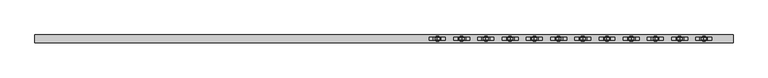
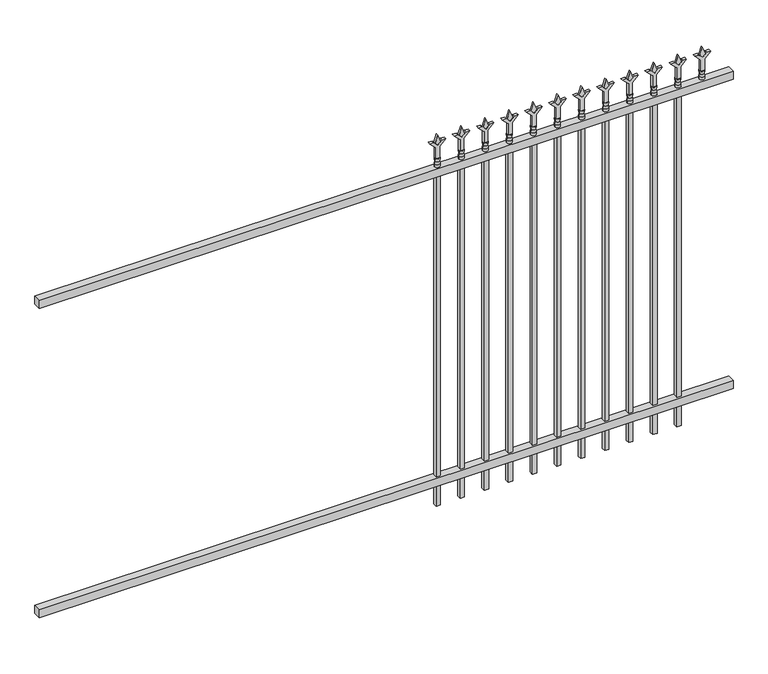
"""IFC4 building model written with IfcOpenShell, lengths in millimetres: railing geometry."""

from ifc_helpers import new_model, si_unit, frame, origin, place, context, project, spatial, polyline, circle_curve, outline, extrude, source, transform, mapped, element, save
from ifc_brep_helpers import plane_surface, cylinder_surface, revolved_surface, advanced_brep


def railing_8250a9f7(model_context):
    return source(origin(), model_context, "Body", "SolidModel", [
        extrude(outline(polyline([(-67441.318087, 5443.2804826), (-67441.318087, 5478.2054826), (-64291.718087, 5478.2054826), (-64291.718087, 5443.2804826), (-67441.318087, 5443.2804826)])), frame((0.0, 0.0, 1638.3), z_axis=(0.0, 0.0, 1.0), x_axis=(1.0, 0.0, 0.0)), (0.0, 0.0, 1.0), 38.1),
        extrude(outline(polyline([(-67441.318087, 5443.2804826), (-67441.318087, 5478.2054826), (-64291.718087, 5478.2054826), (-64291.718087, 5443.2804826), (-67441.318087, 5443.2804826)])), frame((0.0, 0.0, 152.4), z_axis=(0.0, 0.0, 1.0), x_axis=(1.0, 0.0, 0.0)), (0.0, 0.0, 1.0), 38.1),
        extrude(outline(polyline([(1793.08125, -64520.8472536), (1828.8, -64532.7535036), (1793.08125, -64544.6597536), (1781.175, -64532.7535036), (1793.08125, -64520.8472536)])), frame((0.0, 5455.9804826, 0.0), z_axis=(0.0, 1.0, 0.0), x_axis=(0.0, 0.0, 1.0)), (0.0, 0.0, 1.0), 9.525),
        extrude(outline(polyline([(1717.675, -64524.0222536), (1771.9457378, -64524.0222536), (1799.1355122, -64496.8324791), (1799.1355122, -64514.7929914), (1781.175, -64532.7535036), (1799.1355122, -64550.7140159), (1799.1355122, -64568.6745281), (1771.9457378, -64541.4847536), (1717.675, -64541.4847536), (1717.675, -64524.0222536)])), frame((0.0, 5454.3929826, 0.0), z_axis=(0.0, 1.0, 0.0), x_axis=(0.0, 0.0, 1.0)), (0.0, 0.0, 1.0), 12.7),
        advanced_brep(
        [(-64520.8472536, 5460.7429826, 1689.1), (-64544.6597536, 5460.7429826, 1689.1), (-64544.6597536, 5460.7429826, 1676.4), (-64520.8472536, 5460.7429826, 1676.4), (-64523.0525855, 5460.7429826, 1701.6070585), (-64542.4544218, 5460.7429826, 1701.6070585), (-64520.8472536, 5460.7429826, 1717.675), (-64544.6597536, 5460.7429826, 1717.675), (-64532.7535036, 5460.7429826, 1717.675), (-64532.7535036, 5460.7429826, 1676.4)],
        [
            (0, 1, circle_curve(frame((-64532.7535036, 5460.7429826, 1689.1), z_axis=(0.0, 0.0, -1.0), x_axis=(-1.0, 0.0, 0.0)), 11.90625)),
            (1, 2),
            (2, 3, circle_curve(frame((-64532.7535036, 5460.7429826, 1676.4), z_axis=(0.0, 0.0, 1.0), x_axis=(-1.0, 0.0, 0.0)), 11.90625)),
            (3, 0),
            (1, 0, circle_curve(frame((-64532.7535036, 5460.7429826, 1689.1), z_axis=(0.0, 0.0, -1.0), x_axis=(-1.0, 0.0, 0.0)), 11.90625)),
            (3, 2, circle_curve(frame((-64532.7535036, 5460.7429826, 1676.4), z_axis=(0.0, 0.0, 1.0), x_axis=(-1.0, 0.0, 0.0)), 11.90625)),
            (4, 5, circle_curve(frame((-64532.7535036, 5460.7429826, 1701.6070585), z_axis=(0.0, 0.0, -1.0), x_axis=(-1.0, 0.0, 0.0)), 9.7009181)),
            (5, 1),
            (0, 4),
            (5, 4, circle_curve(frame((-64532.7535036, 5460.7429826, 1701.6070585), z_axis=(0.0, 0.0, -1.0), x_axis=(-1.0, 0.0, 0.0)), 9.7009181)),
            (6, 7, circle_curve(frame((-64532.7535036, 5460.7429826, 1717.675), z_axis=(0.0, 0.0, -1.0), x_axis=(-1.0, 0.0, 0.0)), 11.90625)),
            (7, 5),
            (4, 6),
            (7, 6, circle_curve(frame((-64532.7535036, 5460.7429826, 1717.675), z_axis=(0.0, 0.0, -1.0), x_axis=(-1.0, 0.0, 0.0)), 11.90625)),
            (8, 7),
            (6, 8),
            (2, 9),
            (9, 3),
        ],
        [
            cylinder_surface(frame((-64532.7535036, 5460.7429826, 1676.4), z_axis=(0.0, 0.0, 1.0), x_axis=(-1.0, 0.0, 0.0)), 11.90625),
            revolved_surface(polyline([(-64544.6597536, 5460.7429826, 1689.1), (-64542.4544218, 5460.7429826, 1701.6070585)]), (-64532.7535036, 5460.7429826, 1676.4), (0.0, 0.0, 1.0)),
            revolved_surface(polyline([(-64542.4544218, 5460.7429826, 1701.6070585), (-64544.6597536, 5460.7429826, 1717.675)]), (-64532.7535036, 5460.7429826, 1676.4), (0.0, 0.0, 1.0)),
            plane_surface(frame((-64532.7535036, 5460.7429826, 1717.675), z_axis=(0.0, 0.0, 1.0), x_axis=(-1.0, 0.0, 0.0))),
            plane_surface(frame((-64532.7535036, 5460.7429826, 1676.4), z_axis=(0.0, 0.0, -1.0), x_axis=(-1.0, 0.0, 0.0))),
        ],
        [
            (0, [[1, 2, 3, 4]]),
            (0, [[5, -4, 6, -2]]),
            (1, [[7, 8, -1, 9]]),
            (1, [[10, -9, -5, -8]]),
            (2, [[11, 12, -7, 13]]),
            (2, [[14, -13, -10, -12]]),
            (3, [[15, -11, 16]]),
            (3, [[-16, -14, -15]]),
            (4, [[-3, 17, 18]]),
            (4, [[-6, -18, -17]]),
        ],
    ),
        extrude(outline(polyline([(-64542.2785036, 5470.2679826), (-64523.2285036, 5470.2679826), (-64523.2285036, 5451.2179826), (-64542.2785036, 5451.2179826), (-64542.2785036, 5470.2679826)])), frame((0.0, 0.0, 50.8), z_axis=(0.0, 0.0, 1.0), x_axis=(1.0, 0.0, 0.0)), (0.0, 0.0, 1.0), 1625.6),
        extrude(outline(polyline([(1793.08125, -64630.1201703), (1828.8, -64642.0264203), (1793.08125, -64653.9326703), (1781.175, -64642.0264203), (1793.08125, -64630.1201703)])), frame((0.0, 5455.9804826, 0.0), z_axis=(0.0, 1.0, 0.0), x_axis=(0.0, 0.0, 1.0)), (0.0, 0.0, 1.0), 9.525),
        extrude(outline(polyline([(1717.675, -64633.2951703), (1771.9457378, -64633.2951703), (1799.1355122, -64606.1053958), (1799.1355122, -64624.0659081), (1781.175, -64642.0264203), (1799.1355122, -64659.9869325), (1799.1355122, -64677.9474448), (1771.9457378, -64650.7576703), (1717.675, -64650.7576703), (1717.675, -64633.2951703)])), frame((0.0, 5454.3929826, 0.0), z_axis=(0.0, 1.0, 0.0), x_axis=(0.0, 0.0, 1.0)), (0.0, 0.0, 1.0), 12.7),
        advanced_brep(
        [(-64630.1201703, 5460.7429826, 1689.1), (-64653.9326703, 5460.7429826, 1689.1), (-64653.9326703, 5460.7429826, 1676.4), (-64630.1201703, 5460.7429826, 1676.4), (-64632.3255022, 5460.7429826, 1701.6070585), (-64651.7273384, 5460.7429826, 1701.6070585), (-64630.1201703, 5460.7429826, 1717.675), (-64653.9326703, 5460.7429826, 1717.675), (-64642.0264203, 5460.7429826, 1717.675), (-64642.0264203, 5460.7429826, 1676.4)],
        [
            (0, 1, circle_curve(frame((-64642.0264203, 5460.7429826, 1689.1), z_axis=(0.0, 0.0, -1.0), x_axis=(-1.0, 0.0, 0.0)), 11.90625)),
            (1, 2),
            (2, 3, circle_curve(frame((-64642.0264203, 5460.7429826, 1676.4), z_axis=(0.0, 0.0, 1.0), x_axis=(-1.0, 0.0, 0.0)), 11.90625)),
            (3, 0),
            (1, 0, circle_curve(frame((-64642.0264203, 5460.7429826, 1689.1), z_axis=(0.0, 0.0, -1.0), x_axis=(-1.0, 0.0, 0.0)), 11.90625)),
            (3, 2, circle_curve(frame((-64642.0264203, 5460.7429826, 1676.4), z_axis=(0.0, 0.0, 1.0), x_axis=(-1.0, 0.0, 0.0)), 11.90625)),
            (4, 5, circle_curve(frame((-64642.0264203, 5460.7429826, 1701.6070585), z_axis=(0.0, 0.0, -1.0), x_axis=(-1.0, 0.0, 0.0)), 9.7009181)),
            (5, 1),
            (0, 4),
            (5, 4, circle_curve(frame((-64642.0264203, 5460.7429826, 1701.6070585), z_axis=(0.0, 0.0, -1.0), x_axis=(-1.0, 0.0, 0.0)), 9.7009181)),
            (6, 7, circle_curve(frame((-64642.0264203, 5460.7429826, 1717.675), z_axis=(0.0, 0.0, -1.0), x_axis=(-1.0, 0.0, 0.0)), 11.90625)),
            (7, 5),
            (4, 6),
            (7, 6, circle_curve(frame((-64642.0264203, 5460.7429826, 1717.675), z_axis=(0.0, 0.0, -1.0), x_axis=(-1.0, 0.0, 0.0)), 11.90625)),
            (8, 7),
            (6, 8),
            (2, 9),
            (9, 3),
        ],
        [
            cylinder_surface(frame((-64642.0264203, 5460.7429826, 1676.4), z_axis=(0.0, 0.0, 1.0), x_axis=(-1.0, 0.0, 0.0)), 11.90625),
            revolved_surface(polyline([(-64653.9326703, 5460.7429826, 1689.1), (-64651.7273384, 5460.7429826, 1701.6070585)]), (-64642.0264203, 5460.7429826, 1676.4), (0.0, 0.0, 1.0)),
            revolved_surface(polyline([(-64651.7273384, 5460.7429826, 1701.6070585), (-64653.9326703, 5460.7429826, 1717.675)]), (-64642.0264203, 5460.7429826, 1676.4), (0.0, 0.0, 1.0)),
            plane_surface(frame((-64642.0264203, 5460.7429826, 1717.675), z_axis=(0.0, 0.0, 1.0), x_axis=(-1.0, 0.0, 0.0))),
            plane_surface(frame((-64642.0264203, 5460.7429826, 1676.4), z_axis=(0.0, 0.0, -1.0), x_axis=(-1.0, 0.0, 0.0))),
        ],
        [
            (0, [[1, 2, 3, 4]]),
            (0, [[5, -4, 6, -2]]),
            (1, [[7, 8, -1, 9]]),
            (1, [[10, -9, -5, -8]]),
            (2, [[11, 12, -7, 13]]),
            (2, [[14, -13, -10, -12]]),
            (3, [[15, -11, 16]]),
            (3, [[-16, -14, -15]]),
            (4, [[-3, 17, 18]]),
            (4, [[-6, -18, -17]]),
        ],
    ),
        extrude(outline(polyline([(-64651.5514203, 5470.2679826), (-64632.5014203, 5470.2679826), (-64632.5014203, 5451.2179826), (-64651.5514203, 5451.2179826), (-64651.5514203, 5470.2679826)])), frame((0.0, 0.0, 50.8), z_axis=(0.0, 0.0, 1.0), x_axis=(1.0, 0.0, 0.0)), (0.0, 0.0, 1.0), 1625.6),
        extrude(outline(polyline([(1793.08125, -64739.393087), (1828.8, -64751.299337), (1793.08125, -64763.205587), (1781.175, -64751.299337), (1793.08125, -64739.393087)])), frame((0.0, 5455.9804826, 0.0), z_axis=(0.0, 1.0, 0.0), x_axis=(0.0, 0.0, 1.0)), (0.0, 0.0, 1.0), 9.525),
        extrude(outline(polyline([(1717.675, -64742.568087), (1771.9457378, -64742.568087), (1799.1355122, -64715.3783125), (1799.1355122, -64733.3388247), (1781.175, -64751.299337), (1799.1355122, -64769.2598492), (1799.1355122, -64787.2203614), (1771.9457378, -64760.030587), (1717.675, -64760.030587), (1717.675, -64742.568087)])), frame((0.0, 5454.3929826, 0.0), z_axis=(0.0, 1.0, 0.0), x_axis=(0.0, 0.0, 1.0)), (0.0, 0.0, 1.0), 12.7),
        advanced_brep(
        [(-64739.393087, 5460.7429826, 1689.1), (-64763.205587, 5460.7429826, 1689.1), (-64763.205587, 5460.7429826, 1676.4), (-64739.393087, 5460.7429826, 1676.4), (-64741.5984188, 5460.7429826, 1701.6070585), (-64761.0002551, 5460.7429826, 1701.6070585), (-64739.393087, 5460.7429826, 1717.675), (-64763.205587, 5460.7429826, 1717.675), (-64751.299337, 5460.7429826, 1717.675), (-64751.299337, 5460.7429826, 1676.4)],
        [
            (0, 1, circle_curve(frame((-64751.299337, 5460.7429826, 1689.1), z_axis=(0.0, 0.0, -1.0), x_axis=(-1.0, 0.0, 0.0)), 11.90625)),
            (1, 2),
            (2, 3, circle_curve(frame((-64751.299337, 5460.7429826, 1676.4), z_axis=(0.0, 0.0, 1.0), x_axis=(-1.0, 0.0, 0.0)), 11.90625)),
            (3, 0),
            (1, 0, circle_curve(frame((-64751.299337, 5460.7429826, 1689.1), z_axis=(0.0, 0.0, -1.0), x_axis=(-1.0, 0.0, 0.0)), 11.90625)),
            (3, 2, circle_curve(frame((-64751.299337, 5460.7429826, 1676.4), z_axis=(0.0, 0.0, 1.0), x_axis=(-1.0, 0.0, 0.0)), 11.90625)),
            (4, 5, circle_curve(frame((-64751.299337, 5460.7429826, 1701.6070585), z_axis=(0.0, 0.0, -1.0), x_axis=(-1.0, 0.0, 0.0)), 9.7009181)),
            (5, 1),
            (0, 4),
            (5, 4, circle_curve(frame((-64751.299337, 5460.7429826, 1701.6070585), z_axis=(0.0, 0.0, -1.0), x_axis=(-1.0, 0.0, 0.0)), 9.7009181)),
            (6, 7, circle_curve(frame((-64751.299337, 5460.7429826, 1717.675), z_axis=(0.0, 0.0, -1.0), x_axis=(-1.0, 0.0, 0.0)), 11.90625)),
            (7, 5),
            (4, 6),
            (7, 6, circle_curve(frame((-64751.299337, 5460.7429826, 1717.675), z_axis=(0.0, 0.0, -1.0), x_axis=(-1.0, 0.0, 0.0)), 11.90625)),
            (8, 7),
            (6, 8),
            (2, 9),
            (9, 3),
        ],
        [
            cylinder_surface(frame((-64751.299337, 5460.7429826, 1676.4), z_axis=(0.0, 0.0, 1.0), x_axis=(-1.0, 0.0, 0.0)), 11.90625),
            revolved_surface(polyline([(-64763.205587, 5460.7429826, 1689.1), (-64761.0002551, 5460.7429826, 1701.6070585)]), (-64751.299337, 5460.7429826, 1676.4), (0.0, 0.0, 1.0)),
            revolved_surface(polyline([(-64761.0002551, 5460.7429826, 1701.6070585), (-64763.205587, 5460.7429826, 1717.675)]), (-64751.299337, 5460.7429826, 1676.4), (0.0, 0.0, 1.0)),
            plane_surface(frame((-64751.299337, 5460.7429826, 1717.675), z_axis=(0.0, 0.0, 1.0), x_axis=(-1.0, 0.0, 0.0))),
            plane_surface(frame((-64751.299337, 5460.7429826, 1676.4), z_axis=(0.0, 0.0, -1.0), x_axis=(-1.0, 0.0, 0.0))),
        ],
        [
            (0, [[1, 2, 3, 4]]),
            (0, [[5, -4, 6, -2]]),
            (1, [[7, 8, -1, 9]]),
            (1, [[10, -9, -5, -8]]),
            (2, [[11, 12, -7, 13]]),
            (2, [[14, -13, -10, -12]]),
            (3, [[15, -11, 16]]),
            (3, [[-16, -14, -15]]),
            (4, [[-3, 17, 18]]),
            (4, [[-6, -18, -17]]),
        ],
    ),
        extrude(outline(polyline([(-64760.824337, 5470.2679826), (-64741.774337, 5470.2679826), (-64741.774337, 5451.2179826), (-64760.824337, 5451.2179826), (-64760.824337, 5470.2679826)])), frame((0.0, 0.0, 50.8), z_axis=(0.0, 0.0, 1.0), x_axis=(1.0, 0.0, 0.0)), (0.0, 0.0, 1.0), 1625.6),
        extrude(outline(polyline([(1793.08125, -64848.6660036), (1828.8, -64860.5722536), (1793.08125, -64872.4785036), (1781.175, -64860.5722536), (1793.08125, -64848.6660036)])), frame((0.0, 5455.9804826, 0.0), z_axis=(0.0, 1.0, 0.0), x_axis=(0.0, 0.0, 1.0)), (0.0, 0.0, 1.0), 9.525),
        extrude(outline(polyline([(1717.675, -64851.8410036), (1771.9457378, -64851.8410036), (1799.1355122, -64824.6512291), (1799.1355122, -64842.6117414), (1781.175, -64860.5722536), (1799.1355122, -64878.5327659), (1799.1355122, -64896.4932781), (1771.9457378, -64869.3035036), (1717.675, -64869.3035036), (1717.675, -64851.8410036)])), frame((0.0, 5454.3929826, 0.0), z_axis=(0.0, 1.0, 0.0), x_axis=(0.0, 0.0, 1.0)), (0.0, 0.0, 1.0), 12.7),
        advanced_brep(
        [(-64848.6660036, 5460.7429826, 1689.1), (-64872.4785036, 5460.7429826, 1689.1), (-64872.4785036, 5460.7429826, 1676.4), (-64848.6660036, 5460.7429826, 1676.4), (-64850.8713355, 5460.7429826, 1701.6070585), (-64870.2731718, 5460.7429826, 1701.6070585), (-64848.6660036, 5460.7429826, 1717.675), (-64872.4785036, 5460.7429826, 1717.675), (-64860.5722536, 5460.7429826, 1717.675), (-64860.5722536, 5460.7429826, 1676.4)],
        [
            (0, 1, circle_curve(frame((-64860.5722536, 5460.7429826, 1689.1), z_axis=(0.0, 0.0, -1.0), x_axis=(-1.0, 0.0, 0.0)), 11.90625)),
            (1, 2),
            (2, 3, circle_curve(frame((-64860.5722536, 5460.7429826, 1676.4), z_axis=(0.0, 0.0, 1.0), x_axis=(-1.0, 0.0, 0.0)), 11.90625)),
            (3, 0),
            (1, 0, circle_curve(frame((-64860.5722536, 5460.7429826, 1689.1), z_axis=(0.0, 0.0, -1.0), x_axis=(-1.0, 0.0, 0.0)), 11.90625)),
            (3, 2, circle_curve(frame((-64860.5722536, 5460.7429826, 1676.4), z_axis=(0.0, 0.0, 1.0), x_axis=(-1.0, 0.0, 0.0)), 11.90625)),
            (4, 5, circle_curve(frame((-64860.5722536, 5460.7429826, 1701.6070585), z_axis=(0.0, 0.0, -1.0), x_axis=(-1.0, 0.0, 0.0)), 9.7009181)),
            (5, 1),
            (0, 4),
            (5, 4, circle_curve(frame((-64860.5722536, 5460.7429826, 1701.6070585), z_axis=(0.0, 0.0, -1.0), x_axis=(-1.0, 0.0, 0.0)), 9.7009181)),
            (6, 7, circle_curve(frame((-64860.5722536, 5460.7429826, 1717.675), z_axis=(0.0, 0.0, -1.0), x_axis=(-1.0, 0.0, 0.0)), 11.90625)),
            (7, 5),
            (4, 6),
            (7, 6, circle_curve(frame((-64860.5722536, 5460.7429826, 1717.675), z_axis=(0.0, 0.0, -1.0), x_axis=(-1.0, 0.0, 0.0)), 11.90625)),
            (8, 7),
            (6, 8),
            (2, 9),
            (9, 3),
        ],
        [
            cylinder_surface(frame((-64860.5722536, 5460.7429826, 1676.4), z_axis=(0.0, 0.0, 1.0), x_axis=(-1.0, 0.0, 0.0)), 11.90625),
            revolved_surface(polyline([(-64872.4785036, 5460.7429826, 1689.1), (-64870.2731718, 5460.7429826, 1701.6070585)]), (-64860.5722536, 5460.7429826, 1676.4), (0.0, 0.0, 1.0)),
            revolved_surface(polyline([(-64870.2731718, 5460.7429826, 1701.6070585), (-64872.4785036, 5460.7429826, 1717.675)]), (-64860.5722536, 5460.7429826, 1676.4), (0.0, 0.0, 1.0)),
            plane_surface(frame((-64860.5722536, 5460.7429826, 1717.675), z_axis=(0.0, 0.0, 1.0), x_axis=(-1.0, 0.0, 0.0))),
            plane_surface(frame((-64860.5722536, 5460.7429826, 1676.4), z_axis=(0.0, 0.0, -1.0), x_axis=(-1.0, 0.0, 0.0))),
        ],
        [
            (0, [[1, 2, 3, 4]]),
            (0, [[5, -4, 6, -2]]),
            (1, [[7, 8, -1, 9]]),
            (1, [[10, -9, -5, -8]]),
            (2, [[11, 12, -7, 13]]),
            (2, [[14, -13, -10, -12]]),
            (3, [[15, -11, 16]]),
            (3, [[-16, -14, -15]]),
            (4, [[-3, 17, 18]]),
            (4, [[-6, -18, -17]]),
        ],
    ),
        extrude(outline(polyline([(-64870.0972536, 5470.2679826), (-64851.0472536, 5470.2679826), (-64851.0472536, 5451.2179826), (-64870.0972536, 5451.2179826), (-64870.0972536, 5470.2679826)])), frame((0.0, 0.0, 50.8), z_axis=(0.0, 0.0, 1.0), x_axis=(1.0, 0.0, 0.0)), (0.0, 0.0, 1.0), 1625.6),
        extrude(outline(polyline([(1793.08125, -64957.9389203), (1828.8, -64969.8451703), (1793.08125, -64981.7514203), (1781.175, -64969.8451703), (1793.08125, -64957.9389203)])), frame((0.0, 5455.9804826, 0.0), z_axis=(0.0, 1.0, 0.0), x_axis=(0.0, 0.0, 1.0)), (0.0, 0.0, 1.0), 9.525),
        extrude(outline(polyline([(1717.675, -64961.1139203), (1771.9457378, -64961.1139203), (1799.1355122, -64933.9241458), (1799.1355122, -64951.8846581), (1781.175, -64969.8451703), (1799.1355122, -64987.8056825), (1799.1355122, -65005.7661948), (1771.9457378, -64978.5764203), (1717.675, -64978.5764203), (1717.675, -64961.1139203)])), frame((0.0, 5454.3929826, 0.0), z_axis=(0.0, 1.0, 0.0), x_axis=(0.0, 0.0, 1.0)), (0.0, 0.0, 1.0), 12.7),
        advanced_brep(
        [(-64957.9389203, 5460.7429826, 1689.1), (-64981.7514203, 5460.7429826, 1689.1), (-64981.7514203, 5460.7429826, 1676.4), (-64957.9389203, 5460.7429826, 1676.4), (-64960.1442522, 5460.7429826, 1701.6070585), (-64979.5460884, 5460.7429826, 1701.6070585), (-64957.9389203, 5460.7429826, 1717.675), (-64981.7514203, 5460.7429826, 1717.675), (-64969.8451703, 5460.7429826, 1717.675), (-64969.8451703, 5460.7429826, 1676.4)],
        [
            (0, 1, circle_curve(frame((-64969.8451703, 5460.7429826, 1689.1), z_axis=(0.0, 0.0, -1.0), x_axis=(-1.0, 0.0, 0.0)), 11.90625)),
            (1, 2),
            (2, 3, circle_curve(frame((-64969.8451703, 5460.7429826, 1676.4), z_axis=(0.0, 0.0, 1.0), x_axis=(-1.0, 0.0, 0.0)), 11.90625)),
            (3, 0),
            (1, 0, circle_curve(frame((-64969.8451703, 5460.7429826, 1689.1), z_axis=(0.0, 0.0, -1.0), x_axis=(-1.0, 0.0, 0.0)), 11.90625)),
            (3, 2, circle_curve(frame((-64969.8451703, 5460.7429826, 1676.4), z_axis=(0.0, 0.0, 1.0), x_axis=(-1.0, 0.0, 0.0)), 11.90625)),
            (4, 5, circle_curve(frame((-64969.8451703, 5460.7429826, 1701.6070585), z_axis=(0.0, 0.0, -1.0), x_axis=(-1.0, 0.0, 0.0)), 9.7009181)),
            (5, 1),
            (0, 4),
            (5, 4, circle_curve(frame((-64969.8451703, 5460.7429826, 1701.6070585), z_axis=(0.0, 0.0, -1.0), x_axis=(-1.0, 0.0, 0.0)), 9.7009181)),
            (6, 7, circle_curve(frame((-64969.8451703, 5460.7429826, 1717.675), z_axis=(0.0, 0.0, -1.0), x_axis=(-1.0, 0.0, 0.0)), 11.90625)),
            (7, 5),
            (4, 6),
            (7, 6, circle_curve(frame((-64969.8451703, 5460.7429826, 1717.675), z_axis=(0.0, 0.0, -1.0), x_axis=(-1.0, 0.0, 0.0)), 11.90625)),
            (8, 7),
            (6, 8),
            (2, 9),
            (9, 3),
        ],
        [
            cylinder_surface(frame((-64969.8451703, 5460.7429826, 1676.4), z_axis=(0.0, 0.0, 1.0), x_axis=(-1.0, 0.0, 0.0)), 11.90625),
            revolved_surface(polyline([(-64981.7514203, 5460.7429826, 1689.1), (-64979.5460884, 5460.7429826, 1701.6070585)]), (-64969.8451703, 5460.7429826, 1676.4), (0.0, 0.0, 1.0)),
            revolved_surface(polyline([(-64979.5460884, 5460.7429826, 1701.6070585), (-64981.7514203, 5460.7429826, 1717.675)]), (-64969.8451703, 5460.7429826, 1676.4), (0.0, 0.0, 1.0)),
            plane_surface(frame((-64969.8451703, 5460.7429826, 1717.675), z_axis=(0.0, 0.0, 1.0), x_axis=(-1.0, 0.0, 0.0))),
            plane_surface(frame((-64969.8451703, 5460.7429826, 1676.4), z_axis=(0.0, 0.0, -1.0), x_axis=(-1.0, 0.0, 0.0))),
        ],
        [
            (0, [[1, 2, 3, 4]]),
            (0, [[5, -4, 6, -2]]),
            (1, [[7, 8, -1, 9]]),
            (1, [[10, -9, -5, -8]]),
            (2, [[11, 12, -7, 13]]),
            (2, [[14, -13, -10, -12]]),
            (3, [[15, -11, 16]]),
            (3, [[-16, -14, -15]]),
            (4, [[-3, 17, 18]]),
            (4, [[-6, -18, -17]]),
        ],
    ),
        extrude(outline(polyline([(-64979.3701703, 5470.2679826), (-64960.3201703, 5470.2679826), (-64960.3201703, 5451.2179826), (-64979.3701703, 5451.2179826), (-64979.3701703, 5470.2679826)])), frame((0.0, 0.0, 50.8), z_axis=(0.0, 0.0, 1.0), x_axis=(1.0, 0.0, 0.0)), (0.0, 0.0, 1.0), 1625.6),
        extrude(outline(polyline([(1793.08125, -65067.211837), (1828.8, -65079.118087), (1793.08125, -65091.024337), (1781.175, -65079.118087), (1793.08125, -65067.211837)])), frame((0.0, 5455.9804826, 0.0), z_axis=(0.0, 1.0, 0.0), x_axis=(0.0, 0.0, 1.0)), (0.0, 0.0, 1.0), 9.525),
        extrude(outline(polyline([(1717.675, -65070.386837), (1771.9457378, -65070.386837), (1799.1355122, -65043.1970625), (1799.1355122, -65061.1575747), (1781.175, -65079.118087), (1799.1355122, -65097.0785992), (1799.1355122, -65115.0391114), (1771.9457378, -65087.849337), (1717.675, -65087.849337), (1717.675, -65070.386837)])), frame((0.0, 5454.3929826, 0.0), z_axis=(0.0, 1.0, 0.0), x_axis=(0.0, 0.0, 1.0)), (0.0, 0.0, 1.0), 12.7),
        advanced_brep(
        [(-65067.211837, 5460.7429826, 1689.1), (-65091.024337, 5460.7429826, 1689.1), (-65091.024337, 5460.7429826, 1676.4), (-65067.211837, 5460.7429826, 1676.4), (-65069.4171688, 5460.7429826, 1701.6070585), (-65088.8190051, 5460.7429826, 1701.6070585), (-65067.211837, 5460.7429826, 1717.675), (-65091.024337, 5460.7429826, 1717.675), (-65079.118087, 5460.7429826, 1717.675), (-65079.118087, 5460.7429826, 1676.4)],
        [
            (0, 1, circle_curve(frame((-65079.118087, 5460.7429826, 1689.1), z_axis=(0.0, 0.0, -1.0), x_axis=(-1.0, 0.0, 0.0)), 11.90625)),
            (1, 2),
            (2, 3, circle_curve(frame((-65079.118087, 5460.7429826, 1676.4), z_axis=(0.0, 0.0, 1.0), x_axis=(-1.0, 0.0, 0.0)), 11.90625)),
            (3, 0),
            (1, 0, circle_curve(frame((-65079.118087, 5460.7429826, 1689.1), z_axis=(0.0, 0.0, -1.0), x_axis=(-1.0, 0.0, 0.0)), 11.90625)),
            (3, 2, circle_curve(frame((-65079.118087, 5460.7429826, 1676.4), z_axis=(0.0, 0.0, 1.0), x_axis=(-1.0, 0.0, 0.0)), 11.90625)),
            (4, 5, circle_curve(frame((-65079.118087, 5460.7429826, 1701.6070585), z_axis=(0.0, 0.0, -1.0), x_axis=(-1.0, 0.0, 0.0)), 9.7009181)),
            (5, 1),
            (0, 4),
            (5, 4, circle_curve(frame((-65079.118087, 5460.7429826, 1701.6070585), z_axis=(0.0, 0.0, -1.0), x_axis=(-1.0, 0.0, 0.0)), 9.7009181)),
            (6, 7, circle_curve(frame((-65079.118087, 5460.7429826, 1717.675), z_axis=(0.0, 0.0, -1.0), x_axis=(-1.0, 0.0, 0.0)), 11.90625)),
            (7, 5),
            (4, 6),
            (7, 6, circle_curve(frame((-65079.118087, 5460.7429826, 1717.675), z_axis=(0.0, 0.0, -1.0), x_axis=(-1.0, 0.0, 0.0)), 11.90625)),
            (8, 7),
            (6, 8),
            (2, 9),
            (9, 3),
        ],
        [
            cylinder_surface(frame((-65079.118087, 5460.7429826, 1676.4), z_axis=(0.0, 0.0, 1.0), x_axis=(-1.0, 0.0, 0.0)), 11.90625),
            revolved_surface(polyline([(-65091.024337, 5460.7429826, 1689.1), (-65088.8190051, 5460.7429826, 1701.6070585)]), (-65079.118087, 5460.7429826, 1676.4), (0.0, 0.0, 1.0)),
            revolved_surface(polyline([(-65088.8190051, 5460.7429826, 1701.6070585), (-65091.024337, 5460.7429826, 1717.675)]), (-65079.118087, 5460.7429826, 1676.4), (0.0, 0.0, 1.0)),
            plane_surface(frame((-65079.118087, 5460.7429826, 1717.675), z_axis=(0.0, 0.0, 1.0), x_axis=(-1.0, 0.0, 0.0))),
            plane_surface(frame((-65079.118087, 5460.7429826, 1676.4), z_axis=(0.0, 0.0, -1.0), x_axis=(-1.0, 0.0, 0.0))),
        ],
        [
            (0, [[1, 2, 3, 4]]),
            (0, [[5, -4, 6, -2]]),
            (1, [[7, 8, -1, 9]]),
            (1, [[10, -9, -5, -8]]),
            (2, [[11, 12, -7, 13]]),
            (2, [[14, -13, -10, -12]]),
            (3, [[15, -11, 16]]),
            (3, [[-16, -14, -15]]),
            (4, [[-3, 17, 18]]),
            (4, [[-6, -18, -17]]),
        ],
    ),
        extrude(outline(polyline([(-65088.643087, 5470.2679826), (-65069.593087, 5470.2679826), (-65069.593087, 5451.2179826), (-65088.643087, 5451.2179826), (-65088.643087, 5470.2679826)])), frame((0.0, 0.0, 50.8), z_axis=(0.0, 0.0, 1.0), x_axis=(1.0, 0.0, 0.0)), (0.0, 0.0, 1.0), 1625.6),
        extrude(outline(polyline([(1793.08125, -65176.4847536), (1828.8, -65188.3910036), (1793.08125, -65200.2972536), (1781.175, -65188.3910036), (1793.08125, -65176.4847536)])), frame((0.0, 5455.9804826, 0.0), z_axis=(0.0, 1.0, 0.0), x_axis=(0.0, 0.0, 1.0)), (0.0, 0.0, 1.0), 9.525),
        extrude(outline(polyline([(1717.675, -65179.6597536), (1771.9457378, -65179.6597536), (1799.1355122, -65152.4699791), (1799.1355122, -65170.4304914), (1781.175, -65188.3910036), (1799.1355122, -65206.3515159), (1799.1355122, -65224.3120281), (1771.9457378, -65197.1222536), (1717.675, -65197.1222536), (1717.675, -65179.6597536)])), frame((0.0, 5454.3929826, 0.0), z_axis=(0.0, 1.0, 0.0), x_axis=(0.0, 0.0, 1.0)), (0.0, 0.0, 1.0), 12.7),
        advanced_brep(
        [(-65176.4847536, 5460.7429826, 1689.1), (-65200.2972536, 5460.7429826, 1689.1), (-65200.2972536, 5460.7429826, 1676.4), (-65176.4847536, 5460.7429826, 1676.4), (-65178.6900855, 5460.7429826, 1701.6070585), (-65198.0919218, 5460.7429826, 1701.6070585), (-65176.4847536, 5460.7429826, 1717.675), (-65200.2972536, 5460.7429826, 1717.675), (-65188.3910036, 5460.7429826, 1717.675), (-65188.3910036, 5460.7429826, 1676.4)],
        [
            (0, 1, circle_curve(frame((-65188.3910036, 5460.7429826, 1689.1), z_axis=(0.0, 0.0, -1.0), x_axis=(-1.0, 0.0, 0.0)), 11.90625)),
            (1, 2),
            (2, 3, circle_curve(frame((-65188.3910036, 5460.7429826, 1676.4), z_axis=(0.0, 0.0, 1.0), x_axis=(-1.0, 0.0, 0.0)), 11.90625)),
            (3, 0),
            (1, 0, circle_curve(frame((-65188.3910036, 5460.7429826, 1689.1), z_axis=(0.0, 0.0, -1.0), x_axis=(-1.0, 0.0, 0.0)), 11.90625)),
            (3, 2, circle_curve(frame((-65188.3910036, 5460.7429826, 1676.4), z_axis=(0.0, 0.0, 1.0), x_axis=(-1.0, 0.0, 0.0)), 11.90625)),
            (4, 5, circle_curve(frame((-65188.3910036, 5460.7429826, 1701.6070585), z_axis=(0.0, 0.0, -1.0), x_axis=(-1.0, 0.0, 0.0)), 9.7009181)),
            (5, 1),
            (0, 4),
            (5, 4, circle_curve(frame((-65188.3910036, 5460.7429826, 1701.6070585), z_axis=(0.0, 0.0, -1.0), x_axis=(-1.0, 0.0, 0.0)), 9.7009181)),
            (6, 7, circle_curve(frame((-65188.3910036, 5460.7429826, 1717.675), z_axis=(0.0, 0.0, -1.0), x_axis=(-1.0, 0.0, 0.0)), 11.90625)),
            (7, 5),
            (4, 6),
            (7, 6, circle_curve(frame((-65188.3910036, 5460.7429826, 1717.675), z_axis=(0.0, 0.0, -1.0), x_axis=(-1.0, 0.0, 0.0)), 11.90625)),
            (8, 7),
            (6, 8),
            (2, 9),
            (9, 3),
        ],
        [
            cylinder_surface(frame((-65188.3910036, 5460.7429826, 1676.4), z_axis=(0.0, 0.0, 1.0), x_axis=(-1.0, 0.0, 0.0)), 11.90625),
            revolved_surface(polyline([(-65200.2972536, 5460.7429826, 1689.1), (-65198.0919218, 5460.7429826, 1701.6070585)]), (-65188.3910036, 5460.7429826, 1676.4), (0.0, 0.0, 1.0)),
            revolved_surface(polyline([(-65198.0919218, 5460.7429826, 1701.6070585), (-65200.2972536, 5460.7429826, 1717.675)]), (-65188.3910036, 5460.7429826, 1676.4), (0.0, 0.0, 1.0)),
            plane_surface(frame((-65188.3910036, 5460.7429826, 1717.675), z_axis=(0.0, 0.0, 1.0), x_axis=(-1.0, 0.0, 0.0))),
            plane_surface(frame((-65188.3910036, 5460.7429826, 1676.4), z_axis=(0.0, 0.0, -1.0), x_axis=(-1.0, 0.0, 0.0))),
        ],
        [
            (0, [[1, 2, 3, 4]]),
            (0, [[5, -4, 6, -2]]),
            (1, [[7, 8, -1, 9]]),
            (1, [[10, -9, -5, -8]]),
            (2, [[11, 12, -7, 13]]),
            (2, [[14, -13, -10, -12]]),
            (3, [[15, -11, 16]]),
            (3, [[-16, -14, -15]]),
            (4, [[-3, 17, 18]]),
            (4, [[-6, -18, -17]]),
        ],
    ),
        extrude(outline(polyline([(-65197.9160036, 5470.2679826), (-65178.8660036, 5470.2679826), (-65178.8660036, 5451.2179826), (-65197.9160036, 5451.2179826), (-65197.9160036, 5470.2679826)])), frame((0.0, 0.0, 50.8), z_axis=(0.0, 0.0, 1.0), x_axis=(1.0, 0.0, 0.0)), (0.0, 0.0, 1.0), 1625.6),
        extrude(outline(polyline([(1793.08125, -65285.7576703), (1828.8, -65297.6639203), (1793.08125, -65309.5701703), (1781.175, -65297.6639203), (1793.08125, -65285.7576703)])), frame((0.0, 5455.9804826, 0.0), z_axis=(0.0, 1.0, 0.0), x_axis=(0.0, 0.0, 1.0)), (0.0, 0.0, 1.0), 9.525),
        extrude(outline(polyline([(1717.675, -65288.9326703), (1771.9457378, -65288.9326703), (1799.1355122, -65261.7428958), (1799.1355122, -65279.7034081), (1781.175, -65297.6639203), (1799.1355122, -65315.6244325), (1799.1355122, -65333.5849448), (1771.9457378, -65306.3951703), (1717.675, -65306.3951703), (1717.675, -65288.9326703)])), frame((0.0, 5454.3929826, 0.0), z_axis=(0.0, 1.0, 0.0), x_axis=(0.0, 0.0, 1.0)), (0.0, 0.0, 1.0), 12.7),
        advanced_brep(
        [(-65285.7576703, 5460.7429826, 1689.1), (-65309.5701703, 5460.7429826, 1689.1), (-65309.5701703, 5460.7429826, 1676.4), (-65285.7576703, 5460.7429826, 1676.4), (-65287.9630022, 5460.7429826, 1701.6070585), (-65307.3648384, 5460.7429826, 1701.6070585), (-65285.7576703, 5460.7429826, 1717.675), (-65309.5701703, 5460.7429826, 1717.675), (-65297.6639203, 5460.7429826, 1717.675), (-65297.6639203, 5460.7429826, 1676.4)],
        [
            (0, 1, circle_curve(frame((-65297.6639203, 5460.7429826, 1689.1), z_axis=(0.0, 0.0, -1.0), x_axis=(-1.0, 0.0, 0.0)), 11.90625)),
            (1, 2),
            (2, 3, circle_curve(frame((-65297.6639203, 5460.7429826, 1676.4), z_axis=(0.0, 0.0, 1.0), x_axis=(-1.0, 0.0, 0.0)), 11.90625)),
            (3, 0),
            (1, 0, circle_curve(frame((-65297.6639203, 5460.7429826, 1689.1), z_axis=(0.0, 0.0, -1.0), x_axis=(-1.0, 0.0, 0.0)), 11.90625)),
            (3, 2, circle_curve(frame((-65297.6639203, 5460.7429826, 1676.4), z_axis=(0.0, 0.0, 1.0), x_axis=(-1.0, 0.0, 0.0)), 11.90625)),
            (4, 5, circle_curve(frame((-65297.6639203, 5460.7429826, 1701.6070585), z_axis=(0.0, 0.0, -1.0), x_axis=(-1.0, 0.0, 0.0)), 9.7009181)),
            (5, 1),
            (0, 4),
            (5, 4, circle_curve(frame((-65297.6639203, 5460.7429826, 1701.6070585), z_axis=(0.0, 0.0, -1.0), x_axis=(-1.0, 0.0, 0.0)), 9.7009181)),
            (6, 7, circle_curve(frame((-65297.6639203, 5460.7429826, 1717.675), z_axis=(0.0, 0.0, -1.0), x_axis=(-1.0, 0.0, 0.0)), 11.90625)),
            (7, 5),
            (4, 6),
            (7, 6, circle_curve(frame((-65297.6639203, 5460.7429826, 1717.675), z_axis=(0.0, 0.0, -1.0), x_axis=(-1.0, 0.0, 0.0)), 11.90625)),
            (8, 7),
            (6, 8),
            (2, 9),
            (9, 3),
        ],
        [
            cylinder_surface(frame((-65297.6639203, 5460.7429826, 1676.4), z_axis=(0.0, 0.0, 1.0), x_axis=(-1.0, 0.0, 0.0)), 11.90625),
            revolved_surface(polyline([(-65309.5701703, 5460.7429826, 1689.1), (-65307.3648384, 5460.7429826, 1701.6070585)]), (-65297.6639203, 5460.7429826, 1676.4), (0.0, 0.0, 1.0)),
            revolved_surface(polyline([(-65307.3648384, 5460.7429826, 1701.6070585), (-65309.5701703, 5460.7429826, 1717.675)]), (-65297.6639203, 5460.7429826, 1676.4), (0.0, 0.0, 1.0)),
            plane_surface(frame((-65297.6639203, 5460.7429826, 1717.675), z_axis=(0.0, 0.0, 1.0), x_axis=(-1.0, 0.0, 0.0))),
            plane_surface(frame((-65297.6639203, 5460.7429826, 1676.4), z_axis=(0.0, 0.0, -1.0), x_axis=(-1.0, 0.0, 0.0))),
        ],
        [
            (0, [[1, 2, 3, 4]]),
            (0, [[5, -4, 6, -2]]),
            (1, [[7, 8, -1, 9]]),
            (1, [[10, -9, -5, -8]]),
            (2, [[11, 12, -7, 13]]),
            (2, [[14, -13, -10, -12]]),
            (3, [[15, -11, 16]]),
            (3, [[-16, -14, -15]]),
            (4, [[-3, 17, 18]]),
            (4, [[-6, -18, -17]]),
        ],
    ),
        extrude(outline(polyline([(-65307.1889203, 5470.2679826), (-65288.1389203, 5470.2679826), (-65288.1389203, 5451.2179826), (-65307.1889203, 5451.2179826), (-65307.1889203, 5470.2679826)])), frame((0.0, 0.0, 50.8), z_axis=(0.0, 0.0, 1.0), x_axis=(1.0, 0.0, 0.0)), (0.0, 0.0, 1.0), 1625.6),
        extrude(outline(polyline([(1793.08125, -65395.030587), (1828.8, -65406.936837), (1793.08125, -65418.843087), (1781.175, -65406.936837), (1793.08125, -65395.030587)])), frame((0.0, 5455.9804826, 0.0), z_axis=(0.0, 1.0, 0.0), x_axis=(0.0, 0.0, 1.0)), (0.0, 0.0, 1.0), 9.525),
        extrude(outline(polyline([(1717.675, -65398.205587), (1771.9457378, -65398.205587), (1799.1355122, -65371.0158125), (1799.1355122, -65388.9763247), (1781.175, -65406.936837), (1799.1355122, -65424.8973492), (1799.1355122, -65442.8578614), (1771.9457378, -65415.668087), (1717.675, -65415.668087), (1717.675, -65398.205587)])), frame((0.0, 5454.3929826, 0.0), z_axis=(0.0, 1.0, 0.0), x_axis=(0.0, 0.0, 1.0)), (0.0, 0.0, 1.0), 12.7),
        advanced_brep(
        [(-65395.030587, 5460.7429826, 1689.1), (-65418.843087, 5460.7429826, 1689.1), (-65418.843087, 5460.7429826, 1676.4), (-65395.030587, 5460.7429826, 1676.4), (-65397.2359188, 5460.7429826, 1701.6070585), (-65416.6377551, 5460.7429826, 1701.6070585), (-65395.030587, 5460.7429826, 1717.675), (-65418.843087, 5460.7429826, 1717.675), (-65406.936837, 5460.7429826, 1717.675), (-65406.936837, 5460.7429826, 1676.4)],
        [
            (0, 1, circle_curve(frame((-65406.936837, 5460.7429826, 1689.1), z_axis=(0.0, 0.0, -1.0), x_axis=(-1.0, 0.0, 0.0)), 11.90625)),
            (1, 2),
            (2, 3, circle_curve(frame((-65406.936837, 5460.7429826, 1676.4), z_axis=(0.0, 0.0, 1.0), x_axis=(-1.0, 0.0, 0.0)), 11.90625)),
            (3, 0),
            (1, 0, circle_curve(frame((-65406.936837, 5460.7429826, 1689.1), z_axis=(0.0, 0.0, -1.0), x_axis=(-1.0, 0.0, 0.0)), 11.90625)),
            (3, 2, circle_curve(frame((-65406.936837, 5460.7429826, 1676.4), z_axis=(0.0, 0.0, 1.0), x_axis=(-1.0, 0.0, 0.0)), 11.90625)),
            (4, 5, circle_curve(frame((-65406.936837, 5460.7429826, 1701.6070585), z_axis=(0.0, 0.0, -1.0), x_axis=(-1.0, 0.0, 0.0)), 9.7009181)),
            (5, 1),
            (0, 4),
            (5, 4, circle_curve(frame((-65406.936837, 5460.7429826, 1701.6070585), z_axis=(0.0, 0.0, -1.0), x_axis=(-1.0, 0.0, 0.0)), 9.7009181)),
            (6, 7, circle_curve(frame((-65406.936837, 5460.7429826, 1717.675), z_axis=(0.0, 0.0, -1.0), x_axis=(-1.0, 0.0, 0.0)), 11.90625)),
            (7, 5),
            (4, 6),
            (7, 6, circle_curve(frame((-65406.936837, 5460.7429826, 1717.675), z_axis=(0.0, 0.0, -1.0), x_axis=(-1.0, 0.0, 0.0)), 11.90625)),
            (8, 7),
            (6, 8),
            (2, 9),
            (9, 3),
        ],
        [
            cylinder_surface(frame((-65406.936837, 5460.7429826, 1676.4), z_axis=(0.0, 0.0, 1.0), x_axis=(-1.0, 0.0, 0.0)), 11.90625),
            revolved_surface(polyline([(-65418.843087, 5460.7429826, 1689.1), (-65416.6377551, 5460.7429826, 1701.6070585)]), (-65406.936837, 5460.7429826, 1676.4), (0.0, 0.0, 1.0)),
            revolved_surface(polyline([(-65416.6377551, 5460.7429826, 1701.6070585), (-65418.843087, 5460.7429826, 1717.675)]), (-65406.936837, 5460.7429826, 1676.4), (0.0, 0.0, 1.0)),
            plane_surface(frame((-65406.936837, 5460.7429826, 1717.675), z_axis=(0.0, 0.0, 1.0), x_axis=(-1.0, 0.0, 0.0))),
            plane_surface(frame((-65406.936837, 5460.7429826, 1676.4), z_axis=(0.0, 0.0, -1.0), x_axis=(-1.0, 0.0, 0.0))),
        ],
        [
            (0, [[1, 2, 3, 4]]),
            (0, [[5, -4, 6, -2]]),
            (1, [[7, 8, -1, 9]]),
            (1, [[10, -9, -5, -8]]),
            (2, [[11, 12, -7, 13]]),
            (2, [[14, -13, -10, -12]]),
            (3, [[15, -11, 16]]),
            (3, [[-16, -14, -15]]),
            (4, [[-3, 17, 18]]),
            (4, [[-6, -18, -17]]),
        ],
    ),
        extrude(outline(polyline([(-65416.461837, 5470.2679826), (-65397.411837, 5470.2679826), (-65397.411837, 5451.2179826), (-65416.461837, 5451.2179826), (-65416.461837, 5470.2679826)])), frame((0.0, 0.0, 50.8), z_axis=(0.0, 0.0, 1.0), x_axis=(1.0, 0.0, 0.0)), (0.0, 0.0, 1.0), 1625.6),
        extrude(outline(polyline([(1793.08125, -65504.3035036), (1828.8, -65516.2097536), (1793.08125, -65528.1160036), (1781.175, -65516.2097536), (1793.08125, -65504.3035036)])), frame((0.0, 5455.9804826, 0.0), z_axis=(0.0, 1.0, 0.0), x_axis=(0.0, 0.0, 1.0)), (0.0, 0.0, 1.0), 9.525),
        extrude(outline(polyline([(1717.675, -65507.4785036), (1771.9457378, -65507.4785036), (1799.1355122, -65480.2887291), (1799.1355122, -65498.2492414), (1781.175, -65516.2097536), (1799.1355122, -65534.1702659), (1799.1355122, -65552.1307781), (1771.9457378, -65524.9410036), (1717.675, -65524.9410036), (1717.675, -65507.4785036)])), frame((0.0, 5454.3929826, 0.0), z_axis=(0.0, 1.0, 0.0), x_axis=(0.0, 0.0, 1.0)), (0.0, 0.0, 1.0), 12.7),
        advanced_brep(
        [(-65504.3035036, 5460.7429826, 1689.1), (-65528.1160036, 5460.7429826, 1689.1), (-65528.1160036, 5460.7429826, 1676.4), (-65504.3035036, 5460.7429826, 1676.4), (-65506.5088355, 5460.7429826, 1701.6070585), (-65525.9106718, 5460.7429826, 1701.6070585), (-65504.3035036, 5460.7429826, 1717.675), (-65528.1160036, 5460.7429826, 1717.675), (-65516.2097536, 5460.7429826, 1717.675), (-65516.2097536, 5460.7429826, 1676.4)],
        [
            (0, 1, circle_curve(frame((-65516.2097536, 5460.7429826, 1689.1), z_axis=(0.0, 0.0, -1.0), x_axis=(-1.0, 0.0, 0.0)), 11.90625)),
            (1, 2),
            (2, 3, circle_curve(frame((-65516.2097536, 5460.7429826, 1676.4), z_axis=(0.0, 0.0, 1.0), x_axis=(-1.0, 0.0, 0.0)), 11.90625)),
            (3, 0),
            (1, 0, circle_curve(frame((-65516.2097536, 5460.7429826, 1689.1), z_axis=(0.0, 0.0, -1.0), x_axis=(-1.0, 0.0, 0.0)), 11.90625)),
            (3, 2, circle_curve(frame((-65516.2097536, 5460.7429826, 1676.4), z_axis=(0.0, 0.0, 1.0), x_axis=(-1.0, 0.0, 0.0)), 11.90625)),
            (4, 5, circle_curve(frame((-65516.2097536, 5460.7429826, 1701.6070585), z_axis=(0.0, 0.0, -1.0), x_axis=(-1.0, 0.0, 0.0)), 9.7009181)),
            (5, 1),
            (0, 4),
            (5, 4, circle_curve(frame((-65516.2097536, 5460.7429826, 1701.6070585), z_axis=(0.0, 0.0, -1.0), x_axis=(-1.0, 0.0, 0.0)), 9.7009181)),
            (6, 7, circle_curve(frame((-65516.2097536, 5460.7429826, 1717.675), z_axis=(0.0, 0.0, -1.0), x_axis=(-1.0, 0.0, 0.0)), 11.90625)),
            (7, 5),
            (4, 6),
            (7, 6, circle_curve(frame((-65516.2097536, 5460.7429826, 1717.675), z_axis=(0.0, 0.0, -1.0), x_axis=(-1.0, 0.0, 0.0)), 11.90625)),
            (8, 7),
            (6, 8),
            (2, 9),
            (9, 3),
        ],
        [
            cylinder_surface(frame((-65516.2097536, 5460.7429826, 1676.4), z_axis=(0.0, 0.0, 1.0), x_axis=(-1.0, 0.0, 0.0)), 11.90625),
            revolved_surface(polyline([(-65528.1160036, 5460.7429826, 1689.1), (-65525.9106718, 5460.7429826, 1701.6070585)]), (-65516.2097536, 5460.7429826, 1676.4), (0.0, 0.0, 1.0)),
            revolved_surface(polyline([(-65525.9106718, 5460.7429826, 1701.6070585), (-65528.1160036, 5460.7429826, 1717.675)]), (-65516.2097536, 5460.7429826, 1676.4), (0.0, 0.0, 1.0)),
            plane_surface(frame((-65516.2097536, 5460.7429826, 1717.675), z_axis=(0.0, 0.0, 1.0), x_axis=(-1.0, 0.0, 0.0))),
            plane_surface(frame((-65516.2097536, 5460.7429826, 1676.4), z_axis=(0.0, 0.0, -1.0), x_axis=(-1.0, 0.0, 0.0))),
        ],
        [
            (0, [[1, 2, 3, 4]]),
            (0, [[5, -4, 6, -2]]),
            (1, [[7, 8, -1, 9]]),
            (1, [[10, -9, -5, -8]]),
            (2, [[11, 12, -7, 13]]),
            (2, [[14, -13, -10, -12]]),
            (3, [[15, -11, 16]]),
            (3, [[-16, -14, -15]]),
            (4, [[-3, 17, 18]]),
            (4, [[-6, -18, -17]]),
        ],
    ),
        extrude(outline(polyline([(-65525.7347536, 5470.2679826), (-65506.6847536, 5470.2679826), (-65506.6847536, 5451.2179826), (-65525.7347536, 5451.2179826), (-65525.7347536, 5470.2679826)])), frame((0.0, 0.0, 50.8), z_axis=(0.0, 0.0, 1.0), x_axis=(1.0, 0.0, 0.0)), (0.0, 0.0, 1.0), 1625.6),
        extrude(outline(polyline([(1793.08125, -65613.5764203), (1828.8, -65625.4826703), (1793.08125, -65637.3889203), (1781.175, -65625.4826703), (1793.08125, -65613.5764203)])), frame((0.0, 5455.9804826, 0.0), z_axis=(0.0, 1.0, 0.0), x_axis=(0.0, 0.0, 1.0)), (0.0, 0.0, 1.0), 9.525),
        extrude(outline(polyline([(1717.675, -65616.7514203), (1771.9457378, -65616.7514203), (1799.1355122, -65589.5616458), (1799.1355122, -65607.5221581), (1781.175, -65625.4826703), (1799.1355122, -65643.4431825), (1799.1355122, -65661.4036948), (1771.9457378, -65634.2139203), (1717.675, -65634.2139203), (1717.675, -65616.7514203)])), frame((0.0, 5454.3929826, 0.0), z_axis=(0.0, 1.0, 0.0), x_axis=(0.0, 0.0, 1.0)), (0.0, 0.0, 1.0), 12.7),
        advanced_brep(
        [(-65613.5764203, 5460.7429826, 1689.1), (-65637.3889203, 5460.7429826, 1689.1), (-65637.3889203, 5460.7429826, 1676.4), (-65613.5764203, 5460.7429826, 1676.4), (-65615.7817522, 5460.7429826, 1701.6070585), (-65635.1835884, 5460.7429826, 1701.6070585), (-65613.5764203, 5460.7429826, 1717.675), (-65637.3889203, 5460.7429826, 1717.675), (-65625.4826703, 5460.7429826, 1717.675), (-65625.4826703, 5460.7429826, 1676.4)],
        [
            (0, 1, circle_curve(frame((-65625.4826703, 5460.7429826, 1689.1), z_axis=(0.0, 0.0, -1.0), x_axis=(-1.0, 0.0, 0.0)), 11.90625)),
            (1, 2),
            (2, 3, circle_curve(frame((-65625.4826703, 5460.7429826, 1676.4), z_axis=(0.0, 0.0, 1.0), x_axis=(-1.0, 0.0, 0.0)), 11.90625)),
            (3, 0),
            (1, 0, circle_curve(frame((-65625.4826703, 5460.7429826, 1689.1), z_axis=(0.0, 0.0, -1.0), x_axis=(-1.0, 0.0, 0.0)), 11.90625)),
            (3, 2, circle_curve(frame((-65625.4826703, 5460.7429826, 1676.4), z_axis=(0.0, 0.0, 1.0), x_axis=(-1.0, 0.0, 0.0)), 11.90625)),
            (4, 5, circle_curve(frame((-65625.4826703, 5460.7429826, 1701.6070585), z_axis=(0.0, 0.0, -1.0), x_axis=(-1.0, 0.0, 0.0)), 9.7009181)),
            (5, 1),
            (0, 4),
            (5, 4, circle_curve(frame((-65625.4826703, 5460.7429826, 1701.6070585), z_axis=(0.0, 0.0, -1.0), x_axis=(-1.0, 0.0, 0.0)), 9.7009181)),
            (6, 7, circle_curve(frame((-65625.4826703, 5460.7429826, 1717.675), z_axis=(0.0, 0.0, -1.0), x_axis=(-1.0, 0.0, 0.0)), 11.90625)),
            (7, 5),
            (4, 6),
            (7, 6, circle_curve(frame((-65625.4826703, 5460.7429826, 1717.675), z_axis=(0.0, 0.0, -1.0), x_axis=(-1.0, 0.0, 0.0)), 11.90625)),
            (8, 7),
            (6, 8),
            (2, 9),
            (9, 3),
        ],
        [
            cylinder_surface(frame((-65625.4826703, 5460.7429826, 1676.4), z_axis=(0.0, 0.0, 1.0), x_axis=(-1.0, 0.0, 0.0)), 11.90625),
            revolved_surface(polyline([(-65637.3889203, 5460.7429826, 1689.1), (-65635.1835884, 5460.7429826, 1701.6070585)]), (-65625.4826703, 5460.7429826, 1676.4), (0.0, 0.0, 1.0)),
            revolved_surface(polyline([(-65635.1835884, 5460.7429826, 1701.6070585), (-65637.3889203, 5460.7429826, 1717.675)]), (-65625.4826703, 5460.7429826, 1676.4), (0.0, 0.0, 1.0)),
            plane_surface(frame((-65625.4826703, 5460.7429826, 1717.675), z_axis=(0.0, 0.0, 1.0), x_axis=(-1.0, 0.0, 0.0))),
            plane_surface(frame((-65625.4826703, 5460.7429826, 1676.4), z_axis=(0.0, 0.0, -1.0), x_axis=(-1.0, 0.0, 0.0))),
        ],
        [
            (0, [[1, 2, 3, 4]]),
            (0, [[5, -4, 6, -2]]),
            (1, [[7, 8, -1, 9]]),
            (1, [[10, -9, -5, -8]]),
            (2, [[11, 12, -7, 13]]),
            (2, [[14, -13, -10, -12]]),
            (3, [[15, -11, 16]]),
            (3, [[-16, -14, -15]]),
            (4, [[-3, 17, 18]]),
            (4, [[-6, -18, -17]]),
        ],
    ),
        extrude(outline(polyline([(-65635.0076703, 5470.2679826), (-65615.9576703, 5470.2679826), (-65615.9576703, 5451.2179826), (-65635.0076703, 5451.2179826), (-65635.0076703, 5470.2679826)])), frame((0.0, 0.0, 50.8), z_axis=(0.0, 0.0, 1.0), x_axis=(1.0, 0.0, 0.0)), (0.0, 0.0, 1.0), 1625.6),
        extrude(outline(polyline([(1793.08125, -64411.574337), (1828.8, -64423.480587), (1793.08125, -64435.386837), (1781.175, -64423.480587), (1793.08125, -64411.574337)])), frame((0.0, 5455.9804826, 0.0), z_axis=(0.0, 1.0, 0.0), x_axis=(0.0, 0.0, 1.0)), (0.0, 0.0, 1.0), 9.525),
        extrude(outline(polyline([(1717.675, -64414.749337), (1771.9457378, -64414.749337), (1799.1355122, -64387.5595625), (1799.1355122, -64405.5200747), (1781.175, -64423.480587), (1799.1355122, -64441.4410992), (1799.1355122, -64459.4016114), (1771.9457378, -64432.211837), (1717.675, -64432.211837), (1717.675, -64414.749337)])), frame((0.0, 5454.3929826, 0.0), z_axis=(0.0, 1.0, 0.0), x_axis=(0.0, 0.0, 1.0)), (0.0, 0.0, 1.0), 12.7),
        advanced_brep(
        [(-64411.574337, 5460.7429826, 1689.1), (-64435.386837, 5460.7429826, 1689.1), (-64435.386837, 5460.7429826, 1676.4), (-64411.574337, 5460.7429826, 1676.4), (-64413.7796688, 5460.7429826, 1701.6070585), (-64433.1815051, 5460.7429826, 1701.6070585), (-64411.574337, 5460.7429826, 1717.675), (-64435.386837, 5460.7429826, 1717.675), (-64423.480587, 5460.7429826, 1717.675), (-64423.480587, 5460.7429826, 1676.4)],
        [
            (0, 1, circle_curve(frame((-64423.480587, 5460.7429826, 1689.1), z_axis=(0.0, 0.0, -1.0), x_axis=(-1.0, 0.0, 0.0)), 11.90625)),
            (1, 2),
            (2, 3, circle_curve(frame((-64423.480587, 5460.7429826, 1676.4), z_axis=(0.0, 0.0, 1.0), x_axis=(-1.0, 0.0, 0.0)), 11.90625)),
            (3, 0),
            (1, 0, circle_curve(frame((-64423.480587, 5460.7429826, 1689.1), z_axis=(0.0, 0.0, -1.0), x_axis=(-1.0, 0.0, 0.0)), 11.90625)),
            (3, 2, circle_curve(frame((-64423.480587, 5460.7429826, 1676.4), z_axis=(0.0, 0.0, 1.0), x_axis=(-1.0, 0.0, 0.0)), 11.90625)),
            (4, 5, circle_curve(frame((-64423.480587, 5460.7429826, 1701.6070585), z_axis=(0.0, 0.0, -1.0), x_axis=(-1.0, 0.0, 0.0)), 9.7009181)),
            (5, 1),
            (0, 4),
            (5, 4, circle_curve(frame((-64423.480587, 5460.7429826, 1701.6070585), z_axis=(0.0, 0.0, -1.0), x_axis=(-1.0, 0.0, 0.0)), 9.7009181)),
            (6, 7, circle_curve(frame((-64423.480587, 5460.7429826, 1717.675), z_axis=(0.0, 0.0, -1.0), x_axis=(-1.0, 0.0, 0.0)), 11.90625)),
            (7, 5),
            (4, 6),
            (7, 6, circle_curve(frame((-64423.480587, 5460.7429826, 1717.675), z_axis=(0.0, 0.0, -1.0), x_axis=(-1.0, 0.0, 0.0)), 11.90625)),
            (8, 7),
            (6, 8),
            (2, 9),
            (9, 3),
        ],
        [
            cylinder_surface(frame((-64423.480587, 5460.7429826, 1676.4), z_axis=(0.0, 0.0, 1.0), x_axis=(-1.0, 0.0, 0.0)), 11.90625),
            revolved_surface(polyline([(-64435.386837, 5460.7429826, 1689.1), (-64433.1815051, 5460.7429826, 1701.6070585)]), (-64423.480587, 5460.7429826, 1676.4), (0.0, 0.0, 1.0)),
            revolved_surface(polyline([(-64433.1815051, 5460.7429826, 1701.6070585), (-64435.386837, 5460.7429826, 1717.675)]), (-64423.480587, 5460.7429826, 1676.4), (0.0, 0.0, 1.0)),
            plane_surface(frame((-64423.480587, 5460.7429826, 1717.675), z_axis=(0.0, 0.0, 1.0), x_axis=(-1.0, 0.0, 0.0))),
            plane_surface(frame((-64423.480587, 5460.7429826, 1676.4), z_axis=(0.0, 0.0, -1.0), x_axis=(-1.0, 0.0, 0.0))),
        ],
        [
            (0, [[1, 2, 3, 4]]),
            (0, [[5, -4, 6, -2]]),
            (1, [[7, 8, -1, 9]]),
            (1, [[10, -9, -5, -8]]),
            (2, [[11, 12, -7, 13]]),
            (2, [[14, -13, -10, -12]]),
            (3, [[15, -11, 16]]),
            (3, [[-16, -14, -15]]),
            (4, [[-3, 17, 18]]),
            (4, [[-6, -18, -17]]),
        ],
    ),
    ])


if __name__ == "__main__":
    model = new_model("IFC4")
    model_context = context("Model", 3, world=origin())
    ifc_project = project(units=[si_unit("LENGTHUNIT", "METRE", prefix="MILLI")], contexts=[model_context])
    site = spatial("IfcSite", under=ifc_project)
    building = spatial("IfcBuilding", under=site)
    placement = place(None, origin())
    railing_shape = railing_8250a9f7(model_context)
    element("IfcRailing", 1, at=placement, inside=building, context=model_context, shape_type="MappedRepresentation", body=[
        mapped(railing_shape, transform((0.0, 0.0, 0.0), x_axis=(1.0, 0.0, 0.0), y_axis=(0.0, 1.0, 0.0), z_axis=(0.0, 0.0, 1.0))),
    ])
    save(model, "model.ifc")
